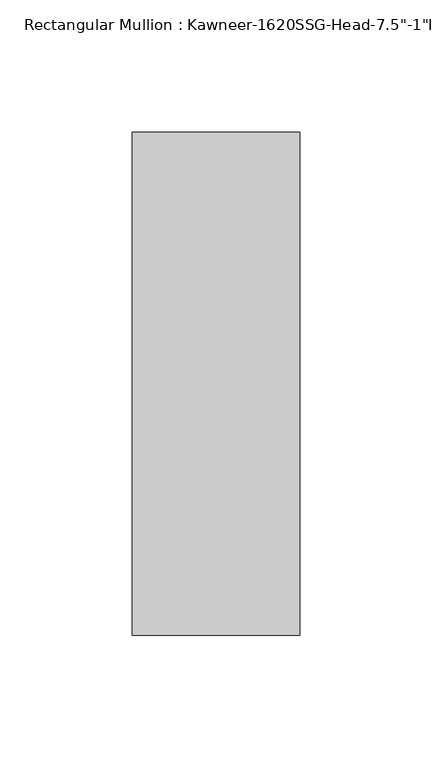
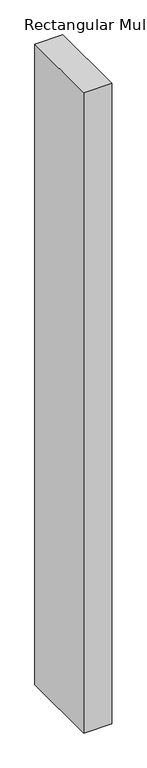
"""IFC4 building model written with IfcOpenShell, lengths in millimetres: member geometry."""

from ifc_helpers import new_model, si_unit, frame, origin, place, context, project, spatial, polyline, outline, extrude, source, transform, mapped, element, save


def member_0b7e60f8(model_context):
    return source(origin(), model_context, "Body", "SweptSolid", [
        extrude(outline(polyline([(-63.5, 38.1), (0.0, 38.1), (0.0, -152.4), (-63.5, -152.4), (-63.5, 38.1)])), frame((0.0, 0.0, -1531.2182369), z_axis=(0.0, 0.0, 1.0), x_axis=(1.0, 0.0, 0.0)), (0.0, 0.0, 1.0), 1531.2182369),
    ])


if __name__ == "__main__":
    model = new_model("IFC4")
    model_context = context("Model", 3, world=origin())
    ifc_project = project(units=[si_unit("LENGTHUNIT", "METRE", prefix="MILLI")], contexts=[model_context])
    site = spatial("IfcSite", under=ifc_project)
    building = spatial("IfcBuilding", under=site)
    placement = place(None, origin())
    member_shape = member_0b7e60f8(model_context)
    element("IfcMember", 1, ObjectType="Rectangular Mullion : Kawneer-1620SSG-Head-7.5\"-1\"Infill-1A", at=placement, inside=building, context=model_context, shape_type="MappedRepresentation", body=[
        mapped(member_shape, transform((0.0, 0.0, 0.0), x_axis=(1.0, 0.0, 0.0), y_axis=(0.0, 1.0, 0.0), z_axis=(0.0, 0.0, 1.0))),
    ])
    save(model, "model.ifc")
